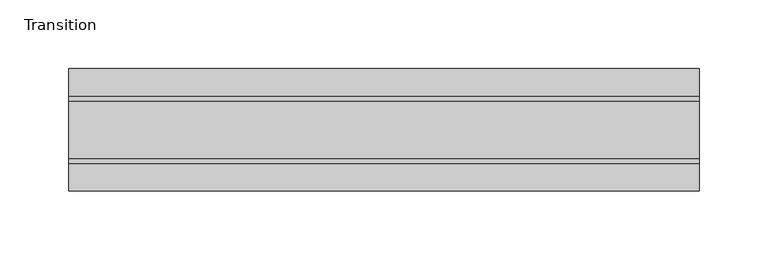
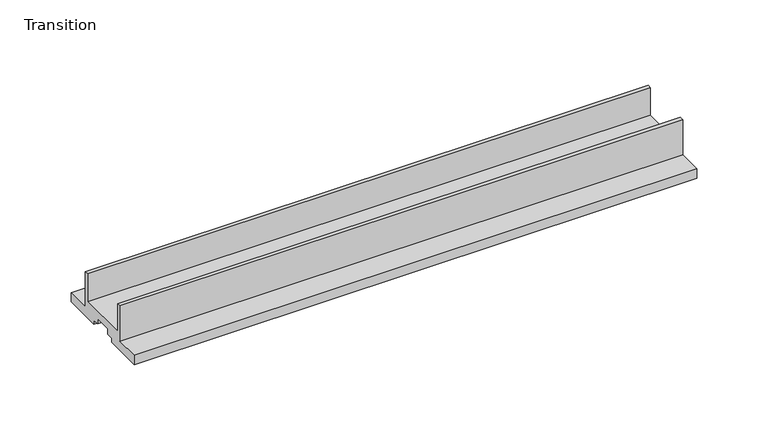
"""IFC4 building model written with IfcOpenShell, lengths in millimetres: furniture geometry, Transition."""

from ifc_helpers import new_model, si_unit, frame, origin, place, context, project, spatial, polyline, outline, extrude, source, transform, mapped, element, save


def transition_a680fcab(model_context):
    return source(origin(), model_context, "Body", "SweptSolid", [
        extrude(outline(polyline([(-8.7481957, 7.9375), (-8.7481957, 38.1), (-5.4481956, 38.1), (-5.4481956, 14.2875), (36.4518057, 14.2875), (36.4518057, 38.1), (39.7518058, 38.1), (39.7518058, 7.9375), (59.951805, 7.9375), (59.951805, 0.0), (28.2018055, 0.0), (28.2018055, 3.5000001), (22.7018053, 3.5000001), (22.7018053, 7.9375), (8.3018048, 7.9375), (8.3018048, 3.5000001), (2.8018046, 3.5000001), (2.8018046, 0.0), (-28.948195, 0.0), (-28.948195, 7.9375), (-8.7481957, 7.9375)])), frame((-198.6228469, 0.0, 0.0), z_axis=(1.0, 0.0, 0.0), x_axis=(0.0, 1.0, 0.0)), (0.0, 0.0, 1.0), 457.2),
    ])


if __name__ == "__main__":
    model = new_model("IFC4")
    model_context = context("Model", 3, world=origin())
    ifc_project = project(units=[si_unit("LENGTHUNIT", "METRE", prefix="MILLI")], contexts=[model_context])
    site = spatial("IfcSite", under=ifc_project)
    building = spatial("IfcBuilding", under=site)
    placement = place(None, origin())
    transition_shape = transition_a680fcab(model_context)
    element("IfcFurniture", 1, ObjectType="Transition", at=placement, inside=building, context=model_context, shape_type="MappedRepresentation", body=[
        mapped(transition_shape, transform((0.0, 0.0, 0.0), x_axis=(1.0, 0.0, 0.0), y_axis=(0.0, 1.0, 0.0), z_axis=(0.0, 0.0, 1.0))),
    ])
    save(model, "model.ifc")
